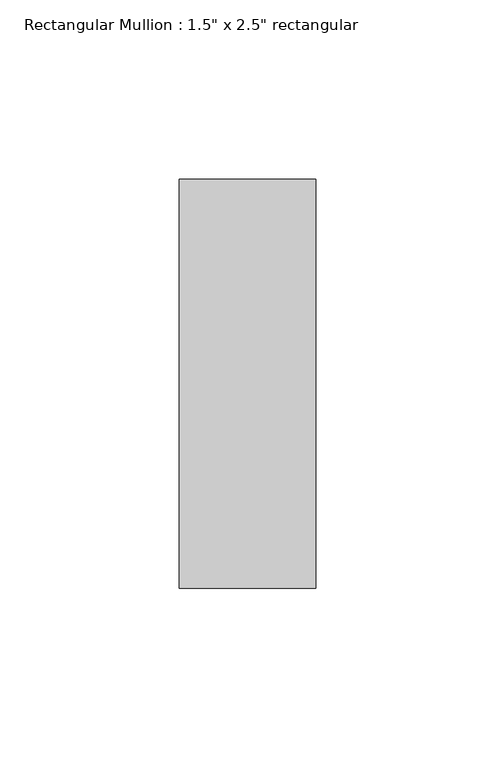
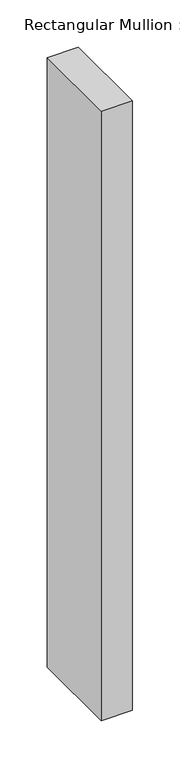
"""IFC4 building model written with IfcOpenShell, lengths in millimetres: member geometry."""

from ifc_helpers import new_model, si_unit, frame, origin, place, context, project, spatial, polyline, outline, extrude, source, transform, mapped, element, save


def member_e83b7f71(model_context):
    return source(origin(), model_context, "Body", "SweptSolid", [
        extrude(outline(polyline([(0.0, 57.15), (0.0, -57.15), (-38.1, -57.15), (-38.1, 57.15), (0.0, 57.15)])), frame((0.0, 0.0, -787.4), z_axis=(0.0, 0.0, 1.0), x_axis=(1.0, 0.0, 0.0)), (0.0, 0.0, 1.0), 787.4),
    ])


if __name__ == "__main__":
    model = new_model("IFC4")
    model_context = context("Model", 3, world=origin())
    ifc_project = project(units=[si_unit("LENGTHUNIT", "METRE", prefix="MILLI")], contexts=[model_context])
    site = spatial("IfcSite", under=ifc_project)
    building = spatial("IfcBuilding", under=site)
    placement = place(None, origin())
    member_shape = member_e83b7f71(model_context)
    element("IfcMember", 1, ObjectType="Rectangular Mullion : 1.5\" x 2.5\" rectangular", at=placement, inside=building, context=model_context, shape_type="MappedRepresentation", body=[
        mapped(member_shape, transform((0.0, 0.0, 0.0), x_axis=(1.0, 0.0, 0.0), y_axis=(0.0, 1.0, 0.0), z_axis=(0.0, 0.0, 1.0))),
    ])
    save(model, "model.ifc")
